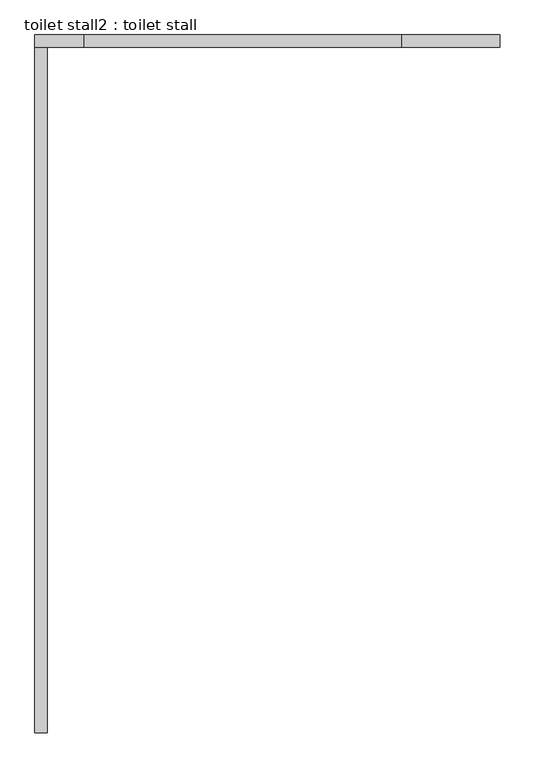
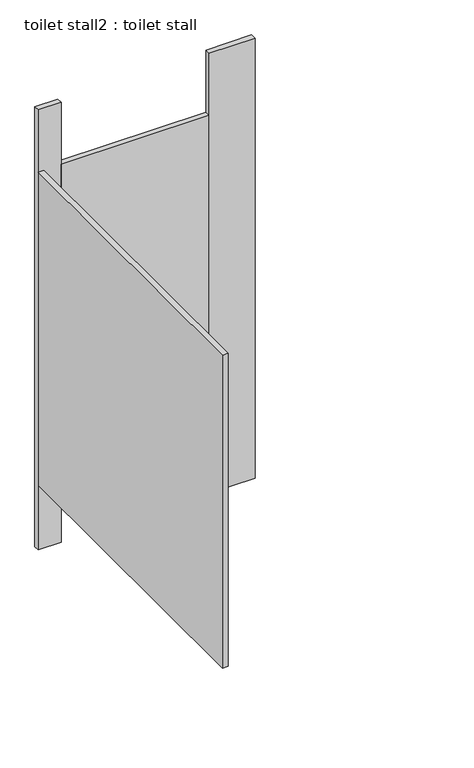
"""IFC4 building model written with IfcOpenShell, lengths in millimetres: proxy geometry, toilet stall2 : toilet stall."""

from ifc_helpers import new_model, si_unit, frame, origin, origin_with_axes, place, context, project, spatial, polyline, outline, extrude, source, transform, mapped, element, save


def toilet_stall2_toilet_stall_e322a0b5(model_context):
    return source(origin(), model_context, "Body", "SweptSolid", [
        extrude(outline(polyline([(469343.7397068, -351409.8080223), (469343.7397068, -351384.4080223), (469546.9397068, -351384.4080223), (469546.9397068, -351409.8080223), (469343.7397068, -351409.8080223)])), origin_with_axes(), (0.0, 0.0, 1.0), 2070.1),
        extrude(outline(polyline([(468581.7397068, -351409.8080223), (468581.7397068, -351384.4080223), (468683.3397068, -351384.4080223), (468683.3397068, -351409.8080223), (468581.7397068, -351409.8080223)])), origin_with_axes(), (0.0, 0.0, 1.0), 2070.1),
        extrude(outline(polyline([(468581.7397068, -351409.8080223), (468607.1397068, -351409.8080223), (468607.1397068, -352832.2080223), (468581.7397068, -352832.2080223), (468581.7397068, -351409.8080223)])), frame((0.0, 0.0, 304.8), z_axis=(0.0, 0.0, 1.0), x_axis=(1.0, 0.0, 0.0)), (0.0, 0.0, 1.0), 1473.2),
        extrude(outline(polyline([(468683.3397068, -351409.8080223), (468683.3397068, -351384.4080223), (469343.7397068, -351384.4080223), (469343.7397068, -351409.8080223), (468683.3397068, -351409.8080223)])), frame((0.0, 0.0, 304.8), z_axis=(0.0, 0.0, 1.0), x_axis=(1.0, 0.0, 0.0)), (0.0, 0.0, 1.0), 1473.2),
    ])


if __name__ == "__main__":
    model = new_model("IFC4")
    model_context = context("Model", 3, world=origin())
    ifc_project = project(units=[si_unit("LENGTHUNIT", "METRE", prefix="MILLI")], contexts=[model_context])
    site = spatial("IfcSite", under=ifc_project)
    building = spatial("IfcBuilding", under=site)
    placement = place(None, origin())
    toilet_stall2_toilet_stall_shape = toilet_stall2_toilet_stall_e322a0b5(model_context)
    element("IfcBuildingElementProxy", 1, Name="toilet stall2 : toilet stall", ObjectType="toilet stall2 : toilet stall", at=placement, inside=building, context=model_context, shape_type="MappedRepresentation", body=[
        mapped(toilet_stall2_toilet_stall_shape, transform((0.0, 0.0, 0.0), x_axis=(1.0, 0.0, 0.0), y_axis=(0.0, 1.0, 0.0), z_axis=(0.0, 0.0, 1.0))),
    ])
    save(model, "model.ifc")
